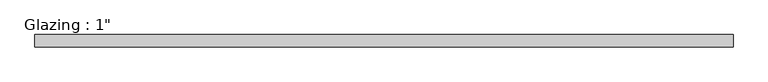
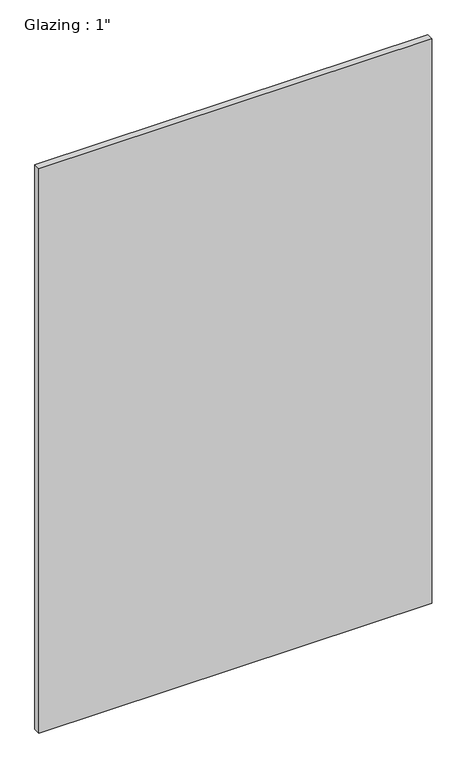
"""IFC4 building model written with IfcOpenShell, lengths in millimetres: plate geometry."""

from ifc_helpers import new_model, si_unit, origin, origin_with_axes, place, context, project, spatial, polyline, outline, extrude, source, transform, mapped, element, save


def plate_a88c9b3d(model_context):
    return source(origin(), model_context, "Body", "SweptSolid", [
        extrude(outline(polyline([(717.0516736, -12.7), (-717.0516736, -12.7), (-717.0516736, 12.7), (717.0516736, 12.7), (717.0516736, -12.7)])), origin_with_axes(), (0.0, 0.0, 1.0), 2177.9425731),
    ])


if __name__ == "__main__":
    model = new_model("IFC4")
    model_context = context("Model", 3, world=origin())
    ifc_project = project(units=[si_unit("LENGTHUNIT", "METRE", prefix="MILLI")], contexts=[model_context])
    site = spatial("IfcSite", under=ifc_project)
    building = spatial("IfcBuilding", under=site)
    placement = place(None, origin())
    plate_shape = plate_a88c9b3d(model_context)
    element("IfcPlate", 1, ObjectType="Glazing : 1\"", at=placement, inside=building, context=model_context, shape_type="MappedRepresentation", body=[
        mapped(plate_shape, transform((0.0, 0.0, 0.0), x_axis=(1.0, 0.0, 0.0), y_axis=(0.0, 1.0, 0.0), z_axis=(0.0, 0.0, 1.0))),
    ])
    save(model, "model.ifc")
